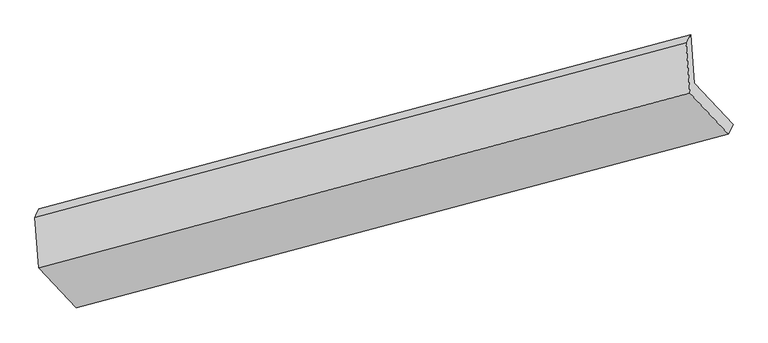
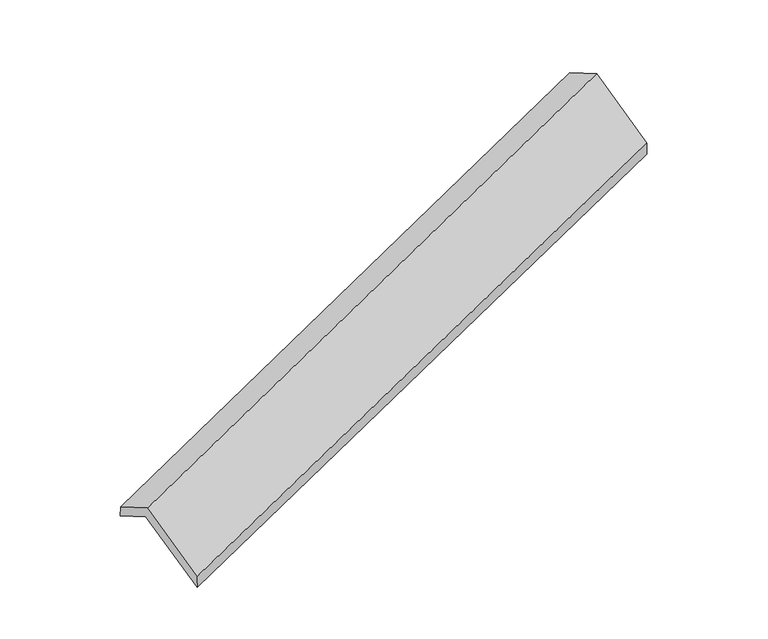
"""IFC4 building model written with IfcOpenShell, lengths in millimetres: proxy geometry."""

from ifc_helpers import new_model, si_unit, frame, origin, place, context, project, spatial, source, transform, mapped, element, save
from ifc_brep_helpers import plane_surface, spline_surface, advanced_brep


def generic_models_14e5e534(model_context):
    return source(origin(), model_context, "Body", "AdvancedBrep", [
        advanced_brep(
        [(-5156.8527354, -2086.0329618, 1321.8901477), (-5181.8343568, -1755.5307892, 1137.9626637), (-719.4512058, -562.2426166, 2696.7147459), (-694.4695843, -892.7447893, 2880.6422299), (-5209.6002281, -1812.8115958, 1262.564117), (-751.1738025, -615.2876355, 2829.4649676), (-5183.4143938, -2159.2452791, 1455.3576325), (-724.9879682, -961.7213188, 3022.2584831), (-4925.9249346, -2434.8951061, 925.065102), (-463.5417836, -1241.6069335, 2483.8171843), (-4891.68166, -2369.9061786, 775.7775379), (-429.298509, -1176.618006, 2334.5296201)],
        [
            (0, 1),
            (1, 2),
            (2, 3),
            (3, 0),
            (1, 4),
            (4, 5),
            (5, 2),
            (4, 6),
            (6, 7),
            (7, 5),
            (6, 8),
            (8, 9),
            (9, 7),
            (8, 10),
            (10, 11),
            (11, 9),
            (10, 0),
            (3, 11),
        ],
        [
            plane_surface(frame((-5169.3435461, -1920.7818755, 1229.9264057), z_axis=(0.39755070675244003, -0.4230739037017103, -0.8142247279266527), x_axis=(-0.06590445534133249, 0.871903600941525, -0.485222334019534))),
            spline_surface(1, 1, [[(-5181.8343568, -1755.5307892, 1137.9626637), (-719.4512058, -562.2426166, 2696.7147459)], [(-5209.6002281, -1812.8115958, 1262.564117), (-751.1738025, -615.2876355, 2829.4649676)]], [2, 2], [2, 2], [0.0, 1.0], [0.0, 1.0]),
            plane_surface(frame((-5196.5073109, -1986.0284374, 1358.9608747), z_axis=(-0.3994271782910735, 0.4225672590188563, 0.8135691985613283), x_axis=(0.06590445534133209, -0.8719036009415252, 0.4852223340195338))),
            plane_surface(frame((-5054.6696642, -2297.0701926, 1190.2113672), z_axis=(0.06402532420375318, -0.8724057443083124, 0.4845709186057947), x_axis=(0.3956725466860631, -0.4235787725197423, -0.8148768368714585))),
            plane_surface(frame((-4908.8032973, -2402.4006423, 850.4213199), z_axis=(0.34451562177730694, -0.8871091794704042, -0.3071584119810851), x_axis=(0.20581128670329085, 0.39060092676694275, -0.8972583966028634))),
            plane_surface(frame((-5024.2671977, -2227.9695702, 1048.8338428), z_axis=(-0.06402532420375148, 0.8724057443083112, -0.48457091860579754), x_axis=(-0.39567254668605123, 0.4235787725197486, 0.8148768368714611))),
            plane_surface(frame((-630.4871422, -908.3702166, 2707.9045385), z_axis=(0.9160239290352279, 0.24569317071474522, 0.3170725899522048), x_axis=(0.20581128670329085, 0.39060092676694275, -0.8972583966028634))),
            plane_surface(frame((-5091.5513848, -2103.0703184, 1146.4362001), z_axis=(-0.9160239290352279, -0.24569317071470542, -0.3170725899522362), x_axis=(0.39567254668606006, -0.4235787725197571, -0.8148768368714524))),
        ],
        [
            (0, [[1, 2, 3, 4]]),
            (1, [[5, 6, 7, -2]]),
            (2, [[8, 9, 10, -6]]),
            (3, [[11, 12, 13, -9]]),
            (4, [[14, 15, 16, -12]]),
            (5, [[17, -4, 18, -15]]),
            (6, [[-16, -18, -3, -7, -10, -13]]),
            (7, [[-17, -14, -11, -8, -5, -1]]),
        ],
    ),
    ])


if __name__ == "__main__":
    model = new_model("IFC4")
    model_context = context("Model", 3, world=origin())
    ifc_project = project(units=[si_unit("LENGTHUNIT", "METRE", prefix="MILLI")], contexts=[model_context])
    site = spatial("IfcSite", under=ifc_project)
    building = spatial("IfcBuilding", under=site)
    placement = place(None, origin())
    generic_models_shape = generic_models_14e5e534(model_context)
    element("IfcBuildingElementProxy", 1, Name="Generic Models", at=placement, inside=building, context=model_context, shape_type="MappedRepresentation", body=[
        mapped(generic_models_shape, transform((0.0, 0.0, 0.0), x_axis=(1.0, 0.0, 0.0), y_axis=(0.0, 1.0, 0.0), z_axis=(0.0, 0.0, 1.0))),
    ])
    save(model, "model.ifc")
